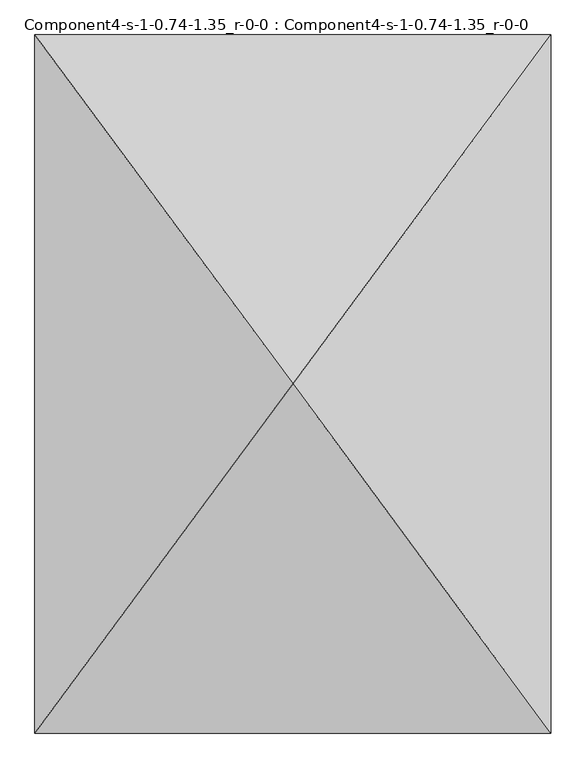
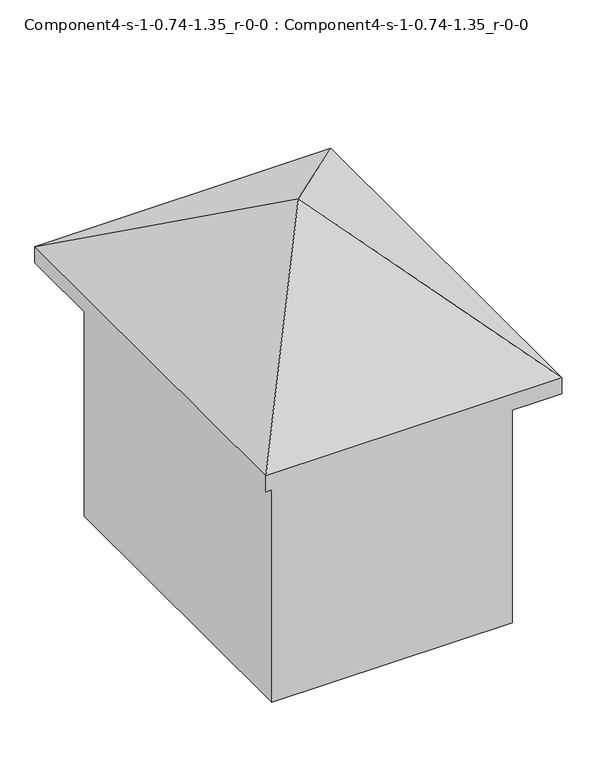
"""IFC4 building model written with IfcOpenShell, lengths in millimetres: geographic element geometry, Component4-s-1-0.74-1.35_r-0-0 : Component4-s-1-0.74-1.35_r-0-0."""

from ifc_helpers import new_model, si_unit, origin, place, context, project, spatial, triangles, source, transform, mapped, element, save


def component4_s_1_0_74_1_35_r_0_0_component4_s_1_0_74_1_35_r_0_9f021303(model_context):
    return source(origin(), model_context, "Body", "Tessellation", [
        triangles([(2397.9584278, 3240.4844719, 6352.2227325), (0.0, 6480.9689438, 4406.2650581), (0.0, 0.0, 4406.2650581), (4795.9168556, 6480.9689438, 4406.2650581), (4795.9168556, 0.0, 4406.2650581), (4795.9168556, 6480.9689438, 4131.9448837), (0.0, 0.0, 4131.9448837), (0.0, 6480.9689438, 4131.9448837), (4795.9168556, 0.0, 4131.9448837), (4344.8129951, 5871.3689438, 0.0), (451.1040058, 609.6, 0.0), (451.1040058, 5871.3689438, 0.0), (4344.8129951, 609.6, 0.0), (4344.8129951, 609.6, 4406.2650581), (451.1040058, 609.6, 4406.2650581), (4344.8129951, 5871.3689438, 4406.2650581), (451.1040058, 5871.3689438, 4406.2650581)], [[1, 2, 3], [4, 2, 1], [5, 1, 3], [4, 1, 5], [6, 7, 8], [7, 6, 9], [2, 7, 3], [7, 2, 8], [2, 6, 8], [6, 2, 4], [6, 5, 9], [5, 6, 4], [5, 7, 9], [7, 5, 3], [10, 11, 12], [11, 10, 13], [14, 11, 13], [11, 14, 15], [10, 14, 13], [14, 10, 16], [17, 10, 12], [10, 17, 16], [17, 11, 15], [11, 17, 12], [14, 17, 15], [17, 14, 16]]),
    ])


if __name__ == "__main__":
    model = new_model("IFC4")
    model_context = context("Model", 3, world=origin())
    ifc_project = project(units=[si_unit("LENGTHUNIT", "METRE", prefix="MILLI")], contexts=[model_context])
    site = spatial("IfcSite", under=ifc_project)
    building = spatial("IfcBuilding", under=site)
    placement = place(None, origin())
    component4_s_1_0_74_1_35_r_0_0_component4_s_1_0_74_1_35_r_0_shape = component4_s_1_0_74_1_35_r_0_0_component4_s_1_0_74_1_35_r_0_9f021303(model_context)
    element("IfcGeographicElement", 1, ObjectType="Component4-s-1-0.74-1.35_r-0-0 : Component4-s-1-0.74-1.35_r-0-0", at=placement, inside=building, context=model_context, shape_type="MappedRepresentation", body=[
        mapped(component4_s_1_0_74_1_35_r_0_0_component4_s_1_0_74_1_35_r_0_shape, transform((0.0, 0.0, 0.0), x_axis=(1.0, 0.0, 0.0), y_axis=(0.0, 1.0, 0.0), z_axis=(0.0, 0.0, 1.0))),
    ])
    save(model, "model.ifc")
